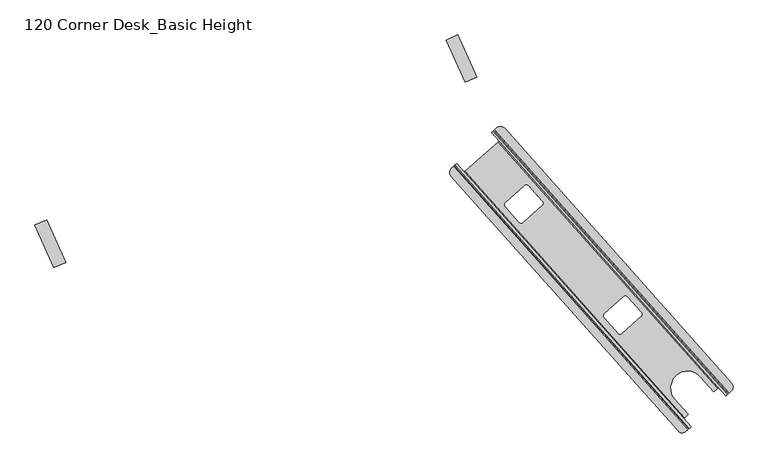
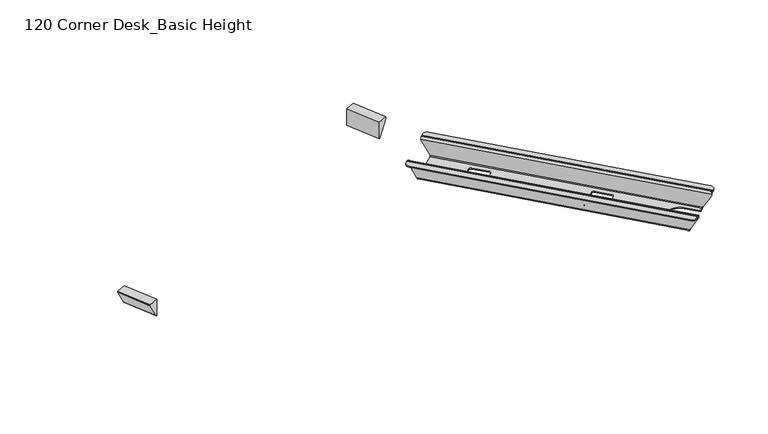
"""IFC4 building model written with IfcOpenShell, lengths in millimetres: furniture geometry, 120 Corner Desk_Basic Height."""

from ifc_helpers import new_model, si_unit, point, frame, frame_2d, origin, place, context, project, spatial, polyline, circle_curve, ellipse_curve, trimmed, segment, composite_curve, outline, extrude, source, transform, mapped, element, save
from ifc_brep_helpers import plane_surface, cylinder_surface, revolved_surface, advanced_brep


def furniture_120_corner_desk_basic_height_5956553c(model_context):
    return source(origin(), model_context, "Body", "SolidModel", [
        advanced_brep(
        [(1566.8161363, -39.7550029, 693.6399265), (1568.3345642, -38.4046695, 695.6719265), (1569.6105021, -37.2699819, 695.6719265), (1569.6105021, -37.2699819, 698.6714043), (1568.3790414, -38.3651161, 698.6714043), (1564.5829714, -41.7409496, 693.5914043), (1564.5829714, -41.7409496, 689.6804247), (1566.8161363, -39.7550029, 689.6804247), (1491.7959658, -106.4702115, 693.5914044), (1487.9998959, -109.846045, 698.6714043), (1486.4088054, -111.2609969, 698.6714043), (1486.4088054, -111.2609969, 695.6719264), (1488.0443744, -109.8064903, 695.6719264), (1489.5628023, -108.456157, 693.6399266), (1489.5628023, -108.456157, 689.6804247), (1491.7959658, -106.4702115, 689.6804247), (997.875542, 444.4381952, 693.6399266), (996.357114, 443.0878619, 695.6719264), (994.721545, 441.6333553, 695.6719264), (994.721545, 441.6333553, 698.6714043), (996.3126355, 443.0483073, 698.6714043), (1000.1087054, 446.4241407, 693.5914044), (1000.1087054, 446.4241407, 691.4041642), (997.875542, 444.4381952, 691.4041642), (1072.895711, 511.1534026, 693.5914043), (1076.691781, 514.5292361, 698.6714043), (1077.9232417, 515.6243704, 698.6714043), (1077.9232417, 515.6243704, 695.6719265), (1076.6473039, 514.4896827, 695.6719265), (1075.1288759, 513.1393494, 693.6399265), (1075.1288759, 513.1393494, 691.4041642), (1072.895711, 511.1534026, 691.4041642), (1142.6473917, 399.9494795, 645.6722168), (1142.6473917, 399.9494795, 648.6513268), (1101.9991892, 363.4082768, 648.6513268), (1101.9991892, 363.4082768, 645.6722168), (1101.5992935, 356.2545604, 648.6513268), (1101.5992935, 356.2545604, 645.6722168), (1131.3608318, 322.7881931, 648.6513268), (1131.3608318, 322.7881931, 645.6722168), (1138.553065, 322.3861336, 648.6513268), (1138.553065, 322.3861336, 645.6722168), (1179.3803274, 359.088083, 648.6513268), (1179.3803274, 359.088083, 645.6722168), (1179.7620416, 366.2621568, 648.6513268), (1179.7620416, 366.2621568, 645.6722168), (1149.8214434, 399.5677773, 648.6513268), (1149.8214434, 399.5677773, 645.6722168), (1350.1617613, 166.6029355, 645.6722168), (1350.1617613, 166.6029355, 648.6513268), (1309.5135588, 130.0617328, 648.6513268), (1309.5135588, 130.0617328, 645.6722168), (1309.1136631, 122.9080164, 648.6513268), (1309.1136631, 122.9080164, 645.6722168), (1338.8752014, 89.4416491, 648.6513268), (1338.8752014, 89.4416491, 645.6722168), (1346.0674346, 89.0395895, 648.6513268), (1346.0674346, 89.0395895, 645.6722168), (1386.894697, 125.741539, 648.6513268), (1386.894697, 125.741539, 645.6722168), (1387.2764112, 132.9156128, 648.6513268), (1387.2764112, 132.9156128, 645.6722168), (1357.335813, 166.2212332, 648.6513268), (1357.335813, 166.2212332, 645.6722168), (1551.5891587, -22.7873037, 650.192968), (1549.2800962, -24.840746, 650.192968), (1547.3330649, -26.1659358, 648.6513268), (1539.292904, -33.3160264, 648.6513268), (1538.9030186, -32.8776066, 645.6722168), (1546.8987023, -25.7670694, 645.6722168), (1476.7986169, -89.2983044, 650.192968), (1474.4895557, -91.3517454, 650.192968), (1477.9967226, -87.0413898, 645.6722168), (1485.150292, -80.6797423, 645.6722168), (1485.5401774, -81.1181621, 648.6513268), (1478.3421294, -87.5193642, 648.6513268), (1552.0754945, -23.1793902, 651.2602168), (1549.8158986, -25.1356157, 651.1913268), (1477.0288931, -89.8648776, 651.1913268), (1474.8221605, -91.8805443, 651.2602168), (1511.116621, -1.632253, 648.6513268), (1511.116621, -1.632253, 645.6722168), (1457.3638944, -49.4343887, 648.6513268), (1457.3638944, -49.4343887, 645.6722168), (1013.2775292, 427.1189103, 651.2602168), (1013.7638392, 426.7268385, 650.1930164), (1018.4221026, 429.742819, 645.6722168), (1087.3240823, 491.0171394, 645.6722168), (1090.8634563, 495.2912928, 650.1930164), (1090.5308631, 495.8200645, 651.2602168), (1088.3241291, 493.8043966, 651.1913268), (1088.5544022, 493.2378579, 650.1930164), (1086.9998974, 491.4712472, 648.6513268), (1018.008962, 430.1178188, 648.6513268), (1016.072892, 428.7802721, 650.1930164), (1015.5371236, 429.0751346, 651.1913268)],
        [
            (0, 1, circle_curve(frame((1568.3345642, -38.4046695, 693.6399265), z_axis=(-0.6645341594952078, 0.7472578877897494, 0.0), x_axis=(0.7472578877897494, 0.6645341594952078, 0.0)), 2.0319999)),
            (1, 2),
            (2, 3),
            (3, 4),
            (4, 5, circle_curve(frame((1568.3790414, -38.3651161, 693.5914043), z_axis=(0.6645341594952078, -0.7472578877897494, 0.0), x_axis=(0.7472578877897494, 0.6645341594952078, 0.0)), 5.0799999)),
            (5, 6),
            (6, 7),
            (7, 0),
            (8, 9, circle_curve(frame((1487.9998959, -109.846045, 693.5914044), z_axis=(0.6645341594952078, -0.7472578877897494, 0.0), x_axis=(0.7472578877897494, 0.6645341594952078, 0.0)), 5.0799999)),
            (9, 10),
            (10, 11),
            (11, 12),
            (12, 13, circle_curve(frame((1488.0443744, -109.8064903, 693.6399266), z_axis=(-0.6645341594952078, 0.7472578877897494, 0.0), x_axis=(0.7472578877897494, 0.6645341594952078, 0.0)), 2.0319999)),
            (13, 14),
            (14, 15),
            (15, 8),
            (16, 17, circle_curve(frame((996.357114, 443.0878619, 693.6399266), z_axis=(0.6645341594952078, -0.7472578877897494, 0.0), x_axis=(0.7472578877897494, 0.6645341594952078, 0.0)), 2.0319999)),
            (17, 18),
            (18, 19),
            (19, 20),
            (20, 21, circle_curve(frame((996.3126355, 443.0483073, 693.5914044), z_axis=(-0.6645341594952078, 0.7472578877897494, 0.0), x_axis=(0.7472578877897494, 0.6645341594952078, 0.0)), 5.0799999)),
            (21, 22),
            (22, 23),
            (23, 16),
            (24, 25, circle_curve(frame((1076.691781, 514.5292361, 693.5914043), z_axis=(-0.6645341594952078, 0.7472578877897494, 0.0), x_axis=(0.7472578877897494, 0.6645341594952078, 0.0)), 5.0799999)),
            (25, 26),
            (26, 27),
            (27, 28),
            (28, 29, circle_curve(frame((1076.6473039, 514.4896827, 693.6399265), z_axis=(0.6645341594952078, -0.7472578877897494, 0.0), x_axis=(0.7472578877897494, 0.6645341594952078, 0.0)), 2.0319999)),
            (29, 30),
            (30, 31),
            (31, 24),
            (32, 33),
            (33, 34),
            (34, 35),
            (35, 32),
            (34, 36, circle_curve(frame((1105.3953636, 359.6303939, 648.6513268), z_axis=(0.0, 0.0, 1.0), x_axis=(0.9991385936389271, -0.04149783971758992, 0.0)), 5.08)),
            (36, 37),
            (37, 35, circle_curve(frame((1105.3953636, 359.6303939, 645.6722168), z_axis=(0.0, 0.0, -1.0), x_axis=(0.9991385936389271, -0.04149783971758992, 0.0)), 5.08)),
            (36, 38),
            (38, 39),
            (39, 37),
            (38, 40, circle_curve(frame((1135.1569019, 326.1640267, 648.6513268), z_axis=(0.0, 0.0, 1.0), x_axis=(0.9991385936389271, -0.04149783971758992, 0.0)), 5.08)),
            (40, 41),
            (41, 39, circle_curve(frame((1135.1569019, 326.1640267, 645.6722168), z_axis=(0.0, 0.0, -1.0), x_axis=(0.9991385936389271, -0.04149783971758992, 0.0)), 5.08)),
            (40, 42),
            (42, 43),
            (43, 41),
            (42, 44, circle_curve(frame((1175.9841643, 362.8659761, 648.6513268), z_axis=(0.0, 0.0, 1.0), x_axis=(0.9991385936389271, -0.04149783971758992, 0.0)), 5.08)),
            (44, 45),
            (45, 43, circle_curve(frame((1175.9841643, 362.8659761, 645.6722168), z_axis=(0.0, 0.0, -1.0), x_axis=(0.9991385936389271, -0.04149783971758992, 0.0)), 5.08)),
            (44, 46),
            (46, 47),
            (47, 45),
            (32, 47, circle_curve(frame((1146.0435661, 396.1715966, 645.6722168), z_axis=(0.0, 0.0, -1.0), x_axis=(0.9991385936389271, -0.04149783971758992, 0.0)), 5.08)),
            (46, 33, circle_curve(frame((1146.0435661, 396.1715966, 648.6513268), z_axis=(0.0, 0.0, 1.0), x_axis=(0.9991385936389271, -0.04149783971758992, 0.0)), 5.08)),
            (48, 49),
            (49, 50),
            (50, 51),
            (51, 48),
            (50, 52, circle_curve(frame((1312.9097332, 126.2838499, 648.6513268), z_axis=(0.0, 0.0, 1.0), x_axis=(0.9991385936389271, -0.04149783971758992, 0.0)), 5.08)),
            (52, 53),
            (53, 51, circle_curve(frame((1312.9097332, 126.2838499, 645.6722168), z_axis=(0.0, 0.0, -1.0), x_axis=(0.9991385936389271, -0.04149783971758992, 0.0)), 5.08)),
            (52, 54),
            (54, 55),
            (55, 53),
            (54, 56, circle_curve(frame((1342.6712715, 92.8174826, 648.6513268), z_axis=(0.0, 0.0, 1.0), x_axis=(0.9991385936389271, -0.04149783971758992, 0.0)), 5.08)),
            (56, 57),
            (57, 55, circle_curve(frame((1342.6712715, 92.8174826, 645.6722168), z_axis=(0.0, 0.0, -1.0), x_axis=(0.9991385936389271, -0.04149783971758992, 0.0)), 5.08)),
            (56, 58),
            (58, 59),
            (59, 57),
            (58, 60, circle_curve(frame((1383.4985339, 129.5194321, 648.6513268), z_axis=(0.0, 0.0, 1.0), x_axis=(0.9991385936389271, -0.04149783971758992, 0.0)), 5.08)),
            (60, 61),
            (61, 59, circle_curve(frame((1383.4985339, 129.5194321, 645.6722168), z_axis=(0.0, 0.0, -1.0), x_axis=(0.9991385936389271, -0.04149783971758992, 0.0)), 5.08)),
            (60, 62),
            (62, 63),
            (63, 61),
            (48, 63, circle_curve(frame((1353.5579357, 162.8250525, 645.6722168), z_axis=(0.0, 0.0, -1.0), x_axis=(0.9991385936389271, -0.04149783971758992, 0.0)), 5.08)),
            (62, 49, circle_curve(frame((1353.5579357, 162.8250525, 648.6513268), z_axis=(0.0, 0.0, 1.0), x_axis=(0.9991385936389271, -0.04149783971758992, 0.0)), 5.08)),
            (64, 65),
            (65, 66, ellipse_curve(frame((1547.6654826, -26.5397342, 651.1913268), z_axis=(-0.6520102594141531, 0.7331749652074585, 0.19322808287547327), x_axis=(-0.128406661644523, 0.1443912090711886, -0.9811538656032852)), 2.5887887, 2.54)),
            (66, 67),
            (67, 68),
            (68, 69),
            (69, 64, ellipse_curve(frame((1547.6300213, -26.5894257, 651.2602168), z_axis=(0.6520102594141531, -0.7331749652074585, -0.19322808287547327), x_axis=(0.128406661644523, -0.1443912090711886, 0.9811538656032852)), 5.695335, 5.588)),
            (70, 71),
            (71, 72, ellipse_curve(frame((1478.7280415, -87.8637461, 651.2602168), z_axis=(0.6520102594141531, -0.7331749652074585, -0.19322808287547327), x_axis=(0.128406661644523, -0.1443912090711886, 0.9811538656032852)), 5.695335, 5.588)),
            (72, 73),
            (73, 74),
            (74, 75),
            (75, 70, ellipse_curve(frame((1478.6745471, -87.8931626, 651.1913268), z_axis=(-0.6520102594141531, 0.7331749652074585, 0.19322808287547327), x_axis=(-0.128406661644523, 0.1443912090711886, -0.9811538656032852)), 2.5887887, 2.54)),
            (64, 76, ellipse_curve(frame((1547.8998174, -26.892807, 651.2602168), z_axis=(0.5755034638054043, -0.6471443140042407, -0.4999999999999625), x_axis=(0.3322670797475788, -0.37362894389484663, 0.8660254037844604)), 6.4524666, 5.588)),
            (76, 7),
            (6, 77),
            (77, 65, ellipse_curve(frame((1547.9178636, -26.8235325, 651.1913268), z_axis=(-0.5755034638054043, 0.6471443140042407, 0.4999999999999625), x_axis=(-0.3322670797475788, 0.37362894389484663, -0.8660254037844604)), 2.9329394, 2.54)),
            (70, 78, ellipse_curve(frame((1478.9269281, -88.1769609, 651.1913268), z_axis=(-0.5755034638054043, 0.6471443140042407, 0.4999999999999625), x_axis=(-0.3322670797475788, 0.37362894389484663, -0.8660254037844604)), 2.9329394, 2.54)),
            (78, 15),
            (14, 79),
            (79, 71, ellipse_curve(frame((1478.9978376, -88.1671274, 651.2602168), z_axis=(0.5755034638054043, -0.6471443140042407, -0.4999999999999625), x_axis=(0.3322670797475788, -0.37362894389484663, 0.8660254037844604)), 6.4524666, 5.588)),
            (80, 81),
            (81, 68),
            (67, 80),
            (80, 82, circle_curve(frame((1484.2402577, -25.5333208, 648.6513268), z_axis=(0.0, 0.0, 1.0), x_axis=(0.9991385936389271, -0.04149783971758992, 0.0)), 35.9666505)),
            (82, 83),
            (83, 81, circle_curve(frame((1484.2402577, -25.5333208, 645.6722168), z_axis=(0.0, 0.0, -1.0), x_axis=(0.9991385936389271, -0.04149783971758992, 0.0)), 35.9666505)),
            (82, 74),
            (73, 83),
            (79, 84),
            (84, 85, ellipse_curve(frame((1017.4532062, 430.8323272, 651.2602168), z_axis=(0.5755034638054098, -0.6471443140042467, 0.4999999999999484), x_axis=(0.3322670797475692, -0.3736289438948363, -0.8660254037844686)), 6.4524666, 5.588)),
            (85, 86, ellipse_curve(frame((1017.7305929, 430.5204104, 651.2602168), z_axis=(0.6533031993089823, -0.7346288551558441, 0.1830720485084005), x_axis=(0.12165762988259482, -0.13680203228173032, -0.9830994990614825)), 5.6840635, 5.588)),
            (86, 72),
            (86, 87),
            (87, 69),
            (87, 88, ellipse_curve(frame((1086.6325726, 491.7947308, 651.2602168), z_axis=(0.6533031993089823, -0.7346288551558441, 0.1830720485084005), x_axis=(0.12165762988259482, -0.13680203228173032, -0.9830994990614825)), 5.6840635, 5.588)),
            (88, 89, ellipse_curve(frame((1086.355186, 492.1066476, 651.2602168), z_axis=(0.5755034638054098, -0.6471443140042467, 0.4999999999999484), x_axis=(0.3322670797475692, -0.3736289438948363, -0.8660254037844686)), 6.4524666, 5.588)),
            (89, 76),
            (29, 0),
            (89, 30),
            (28, 1),
            (27, 2),
            (26, 3),
            (25, 4),
            (24, 5),
            (31, 90),
            (90, 77),
            (90, 91, ellipse_curve(frame((1086.4260941, 492.1164798, 651.1913268), z_axis=(-0.5755034638054098, 0.6471443140042467, -0.4999999999999484), x_axis=(-0.3322670797475692, 0.3736289438948363, 0.8660254037844686)), 2.9329394, 2.54)),
            (91, 92, ellipse_curve(frame((1086.6855749, 491.8246979, 651.1913268), z_axis=(-0.6533031993089823, 0.7346288551558441, -0.1830720485084005), x_axis=(-0.12165762988259482, 0.13680203228173032, 0.9830994990614825)), 2.5836652, 2.54)),
            (92, 66),
            (92, 93),
            (93, 75),
            (93, 94, ellipse_curve(frame((1017.6946394, 430.4712695, 651.1913268), z_axis=(-0.6533031993089823, 0.7346288551558441, -0.1830720485084005), x_axis=(-0.12165762988259482, 0.13680203228173032, 0.9830994990614825)), 2.5836652, 2.54)),
            (94, 95, ellipse_curve(frame((1017.4351586, 430.7630514, 651.1913268), z_axis=(-0.5755034638054098, 0.6471443140042467, -0.4999999999999484), x_axis=(-0.3322670797475692, 0.3736289438948363, 0.8660254037844686)), 2.9329394, 2.54)),
            (95, 78),
            (21, 8),
            (95, 22),
            (20, 9),
            (19, 10),
            (18, 11),
            (17, 12),
            (16, 13),
            (23, 84),
            (88, 91),
            (94, 85),
        ],
        [
            plane_surface(frame((1497.9141565, -101.0293233, 651.2602168), z_axis=(0.6645341594952078, -0.7472578877897494, 0.0), x_axis=(0.0, 0.0, 1.0))),
            plane_surface(frame((1006.2268961, 451.865029, 651.2602168), z_axis=(-0.6645341594952078, 0.7472578877897494, 0.0), x_axis=(0.0, 0.0, -1.0))),
            plane_surface(frame((1142.6473917, 399.9494795, 672.2060139), z_axis=(0.6685382702059691, -0.7436777402006938, 0.0), x_axis=(0.0, 0.0, -1.0))),
            revolved_surface(polyline([(1110.4709876556858, 359.41958487423466, 648.6513267999998), (1110.4709876556858, 359.41958487423466, 645.6722167999998)]), (1105.3953636, 359.6303939, 0.0), (0.0, 0.0, 0.9999999999999999)),
            plane_surface(frame((1101.5992935, 356.2545604, 672.2060139), z_axis=(0.7472578877897479, 0.6645341594952097, 0.0), x_axis=(0.0, 0.0, -1.0))),
            revolved_surface(polyline([(1140.2325259556858, 325.9532176742347, 648.6513267999998), (1140.2325259556858, 325.9532176742347, 645.6722167999998)]), (1135.1569019, 326.1640267, 0.0), (0.0, 0.0, 0.9999999999999999)),
            plane_surface(frame((1138.553065, 322.3861336, 672.2060139), z_axis=(-0.6685360411357278, 0.7436797440448196, 0.0), x_axis=(0.0, 0.0, -1.0))),
            revolved_surface(polyline([(1181.0597883556857, 362.65516707423467, 648.6513267999998), (1181.0597883556857, 362.65516707423467, 645.6722167999998)]), (1175.9841643, 362.8659761, 0.0), (0.0, 0.0, 0.9999999999999999)),
            plane_surface(frame((1179.7620416, 366.2621568, 672.2060139), z_axis=(-0.7436766280845355, -0.6685395073148749, 0.0), x_axis=(0.0, 0.0, -1.0))),
            revolved_surface(polyline([(1151.1191901556856, 395.96078757423464, 648.6513267999998), (1151.1191901556856, 395.96078757423464, 645.6722167999998)]), (1146.0435661, 396.1715966, 0.0), (0.0, 0.0, 0.9999999999999999)),
            plane_surface(frame((1350.1617613, 166.6029355, 672.2060139), z_axis=(0.6685382702059671, -0.7436777402006957, 0.0), x_axis=(0.0, 0.0, -1.0))),
            revolved_surface(polyline([(1317.9853572556856, 126.07304087423465, 648.6513267999998), (1317.9853572556856, 126.07304087423465, 645.6722167999998)]), (1312.9097332, 126.2838499, 0.0), (0.0, 0.0, 0.9999999999999999)),
            plane_surface(frame((1309.1136631, 122.9080164, 672.2060139), z_axis=(0.74725788778975, 0.6645341594952071, 0.0), x_axis=(0.0, 0.0, -1.0))),
            revolved_surface(polyline([(1347.7468955556858, 92.60667357423465, 648.6513267999998), (1347.7468955556858, 92.60667357423465, 645.6722167999998)]), (1342.6712715, 92.8174826, 0.0), (0.0, 0.0, 0.9999999999999999)),
            plane_surface(frame((1346.0674346, 89.0395895, 672.2060139), z_axis=(-0.6685360411357273, 0.7436797440448203, 0.0), x_axis=(0.0, 0.0, -1.0))),
            revolved_surface(polyline([(1388.5741579556857, 129.30862307423465, 648.6513267999998), (1388.5741579556857, 129.30862307423465, 645.6722167999998)]), (1383.4985339, 129.5194321, 0.0), (0.0, 0.0, 0.9999999999999999)),
            plane_surface(frame((1387.2764112, 132.9156128, 672.2060139), z_axis=(-0.7436766280845376, -0.6685395073148724, 0.0), x_axis=(0.0, 0.0, -1.0))),
            revolved_surface(polyline([(1358.6335597556856, 162.61424347423466, 648.6513267999998), (1358.6335597556856, 162.61424347423466, 645.6722167999998)]), (1353.5579357, 162.8250525, 0.0), (0.0, 0.0, 0.9999999999999999)),
            plane_surface(frame((1579.3904014, 4.3436054, 641.0586443), z_axis=(0.6520102594141531, -0.7331749652074585, -0.19322808287547327), x_axis=(-0.7472578877897494, -0.6645341594952078, 0.0))),
            plane_surface(frame((1580.5858388, 2.9993554, 650.192968), z_axis=(0.5755034638054044, -0.6471443140042408, -0.4999999999999626), x_axis=(-0.7472578877897494, -0.6645341594952079, 0.0))),
            plane_surface(frame((1542.7650603, -37.2204099, 672.2060139), z_axis=(-0.7472578877897533, -0.6645341594952034, 0.0), x_axis=(0.0, 0.0, -1.0))),
            revolved_surface(polyline([(1520.1759262984729, -27.025859097627574, 648.6513267999998), (1520.1759262984729, -27.025859097627574, 645.6722167999998)]), (1484.2402577, -25.5333208, 0.0), (0.0, 0.0, 0.9999999999999999)),
            plane_surface(frame((1457.3638944, -49.4343887, 672.2060139), z_axis=(0.7472578877897548, 0.6645341594952019, 0.0), x_axis=(0.0, 0.0, -1.0))),
            cylinder_surface(frame((1002.051219, 448.1516121, 651.2602168), z_axis=(0.6645341594952078, -0.7472578877897494, 0.0), x_axis=(0.7472578877897494, 0.6645341594952078, 0.0)), 5.588),
            plane_surface(frame((1493.7384794, -104.7427401, 645.6722168), z_axis=(0.0, 0.0, -1.0), x_axis=(-0.6645341594952076, 0.7472578877897497, 0.0))),
            cylinder_surface(frame((1070.9531988, 509.4259325, 651.2602168), z_axis=(0.6645341594952078, -0.7472578877897494, 0.0), x_axis=(0.7472578877897494, 0.6645341594952078, 0.0)), 5.588),
            plane_surface(frame((1566.8161363, -39.7550029, 651.2602168), z_axis=(0.7472578877897494, 0.6645341594952078, 0.0), x_axis=(-0.6645341594952078, 0.7472578877897494, 0.0))),
            revolved_surface(polyline([(1078.1657318099594, 515.840016094335, 693.6399265), (1569.8529922366329, -37.05433618194422, 693.6399265)]), (1076.6473039, 514.4896827, 693.6399265), (-0.6645341594952078, 0.7472578877897494, 0.0)),
            plane_surface(frame((1568.3345642, -38.4046695, 695.6719265), z_axis=(0.0, 0.0, -1.0), x_axis=(-0.6645341594952078, 0.7472578877897494, 0.0))),
            plane_surface(frame((1569.6105021, -37.2699819, 695.6719265), z_axis=(0.7472578877897496, 0.6645341594952078, 0.0), x_axis=(-0.6645341594952078, 0.7472578877897496, 0.0))),
            plane_surface(frame((1569.6105021, -37.2699819, 698.6714043), z_axis=(0.0, 0.0, 1.0000000000000002), x_axis=(-0.6645341594952078, 0.7472578877897496, 0.0))),
            cylinder_surface(frame((1076.691781, 514.5292361, 693.5914043), z_axis=(0.6645341594952078, -0.7472578877897494, 0.0), x_axis=(0.7472578877897494, 0.6645341594952078, 0.0)), 5.0799999),
            plane_surface(frame((1564.5829714, -41.7409496, 693.5914043), z_axis=(-0.7472578877897493, -0.664534159495208, 0.0), x_axis=(-0.664534159495208, 0.7472578877897493, 0.0))),
            revolved_surface(polyline([(1087.3496099185008, 494.9002276094485, 651.1913268), (1550.7904178325155, -26.23144679607003, 651.1913268)]), (1070.9976759, 509.4654859, 651.1913268), (-0.6645341594952078, 0.7472578877897494, 0.0)),
            plane_surface(frame((1562.6849363, -43.4288664, 648.6513268), z_axis=(0.0, 0.0, 1.0000000000000002), x_axis=(-0.6645341594952079, 0.7472578877897494, 0.0))),
            revolved_surface(polyline([(1018.3586744743402, 433.5467992591063, 651.1913268), (1481.7994823883548, -87.58487514641229, 651.1913268)]), (1002.0067405, 448.1120575, 651.1913268), (-0.6645341594952078, 0.7472578877897494, 0.0)),
            plane_surface(frame((1491.7959658, -106.4702115, 651.1913268), z_axis=(0.7472578877897496, 0.6645341594952078, 0.0), x_axis=(-0.6645341594952078, 0.7472578877897496, 0.0))),
            cylinder_surface(frame((996.3126355, 443.0483073, 693.5914044), z_axis=(0.6645341594952078, -0.7472578877897494, 0.0), x_axis=(0.7472578877897494, 0.6645341594952078, 0.0)), 5.0799999),
            plane_surface(frame((1487.9998959, -109.846045, 698.6714043), z_axis=(-1.0450907311748767e-11, -9.293959983369685e-12, 1.0), x_axis=(-0.6645341594952077, 0.7472578877897496, 0.0))),
            plane_surface(frame((1486.4088054, -111.2609969, 698.6714043), z_axis=(-0.7472578877897493, -0.664534159495208, 0.0), x_axis=(-0.664534159495208, 0.7472578877897493, 0.0))),
            plane_surface(frame((1486.4088054, -111.2609969, 695.6719264), z_axis=(0.0, 0.0, -1.0), x_axis=(-0.664534159495208, 0.7472578877897493, 0.0))),
            revolved_surface(polyline([(997.875541953263, 444.4381952456408, 693.6399266), (1489.5628023302786, -108.45615697479889, 693.6399266)]), (996.357114, 443.0878619, 693.6399266), (-0.6645341594952078, 0.7472578877897494, 0.0)),
            plane_surface(frame((1489.5628023, -108.456157, 693.6399266), z_axis=(-0.7472578877897497, -0.6645341594952076, 0.0), x_axis=(-0.6645341594952076, 0.7472578877897497, 0.0))),
            plane_surface(frame((1094.457626, 535.9432006, 698.6714043), z_axis=(-0.57550346380541, 0.6471443140042468, -0.4999999999999485), x_axis=(-0.7472578877897493, -0.664534159495208, 0.0))),
            plane_surface(frame((1113.0572794, 515.0281919, 650.1930164), z_axis=(-0.6533031993089824, 0.7346288551558442, -0.18307204850840053), x_axis=(-0.7472578877897493, -0.664534159495208, 0.0))),
        ],
        [
            (0, [[1, 2, 3, 4, 5, 6, 7, 8]]),
            (0, [[9, 10, 11, 12, 13, 14, 15, 16]]),
            (1, [[17, 18, 19, 20, 21, 22, 23, 24]]),
            (1, [[25, 26, 27, 28, 29, 30, 31, 32]]),
            (2, [[33, 34, 35, 36]]),
            (3, [[-35, 37, 38, 39]]),
            (4, [[-38, 40, 41, 42]]),
            (5, [[-41, 43, 44, 45]]),
            (6, [[-44, 46, 47, 48]]),
            (7, [[-47, 49, 50, 51]]),
            (8, [[-50, 52, 53, 54]]),
            (9, [[-33, 55, -53, 56]]),
            (10, [[57, 58, 59, 60]]),
            (11, [[-59, 61, 62, 63]]),
            (12, [[-62, 64, 65, 66]]),
            (13, [[-65, 67, 68, 69]]),
            (14, [[-68, 70, 71, 72]]),
            (15, [[-71, 73, 74, 75]]),
            (16, [[-74, 76, 77, 78]]),
            (17, [[-57, 79, -77, 80]]),
            (18, [[81, 82, 83, 84, 85, 86]]),
            (18, [[87, 88, 89, 90, 91, 92]]),
            (19, [[-81, 93, 94, -7, 95, 96]]),
            (19, [[-87, 97, 98, -15, 99, 100]]),
            (20, [[101, 102, -84, 103]]),
            (21, [[-101, 104, 105, 106]]),
            (22, [[-105, 107, -90, 108]]),
            (23, [[-88, -100, 109, 110, 111, 112]]),
            (24, [[-85, -102, -106, -108, -89, -112, 113, 114], [-36, -39, -42, -45, -48, -51, -54, -55], [-60, -63, -66, -69, -72, -75, -78, -79]]),
            (25, [[-86, -114, 115, 116, 117, -93]]),
            (26, [[118, -8, -94, -117, 119, -30]]),
            (27, [[-1, -118, -29, 120]]),
            (28, [[-2, -120, -28, 121]]),
            (29, [[-3, -121, -27, 122]]),
            (30, [[-4, -122, -26, 123]]),
            (31, [[-5, -123, -25, 124]]),
            (32, [[-124, -32, 125, 126, -95, -6]]),
            (33, [[-82, -96, -126, 127, 128, 129]]),
            (34, [[-83, -129, 130, 131, -91, -107, -104, -103], [-34, -56, -52, -49, -46, -43, -40, -37], [-58, -80, -76, -73, -70, -67, -64, -61]]),
            (35, [[-92, -131, 132, 133, 134, -97]]),
            (36, [[135, -16, -98, -134, 136, -22]]),
            (37, [[-9, -135, -21, 137]]),
            (38, [[-10, -137, -20, 138]]),
            (39, [[-11, -138, -19, 139]]),
            (40, [[-12, -139, -18, 140]]),
            (41, [[-13, -140, -17, 141]]),
            (42, [[-141, -24, 142, -109, -99, -14]]),
            (43, [[143, -127, -125, -31, -119, -116]]),
            (43, [[144, -110, -142, -23, -136, -133]]),
            (44, [[-143, -115, -113, -111, -144, -132, -130, -128]]),
        ],
    ),
        advanced_brep(
        [(1571.5363408, -35.5573394, 698.6714043), (1575.9082939, -31.6693749, 698.6714043), (1576.8538261, -15.5325918, 698.6714043), (1100.3578166, 520.2794452, 698.6714043), (1084.2210335, 521.2249774, 698.6714043), (1079.8490804, 517.3370128, 698.6714043), (1571.5363408, -35.5573394, 695.6719265), (1079.8490804, 517.3370128, 695.6719265), (1084.2210335, 521.2249774, 695.6719265), (1100.3578166, 520.2794452, 695.6719265), (1576.8538261, -15.5325918, 695.6719265), (1575.9082939, -31.6693749, 695.6719265)],
        [
            (0, 1),
            (1, 2, circle_curve(frame((1568.3126684, -23.1282172, 698.6714043), z_axis=(0.0, 0.0, 1.0), x_axis=(0.9991385936389271, -0.04149783971758992, 0.0)), 11.43)),
            (2, 3),
            (3, 4, circle_curve(frame((1091.8166589, 512.6838197, 698.6714043), z_axis=(0.0, 0.0, 1.0), x_axis=(0.9991385936389271, -0.04149783971758992, 0.0)), 11.43)),
            (4, 5),
            (5, 0),
            (6, 7),
            (7, 8),
            (8, 9, circle_curve(frame((1091.8166589, 512.6838197, 695.6719265), z_axis=(0.0, 0.0, -1.0), x_axis=(0.9991385936389271, -0.04149783971758992, 0.0)), 11.43)),
            (9, 10),
            (10, 11, circle_curve(frame((1568.3126684, -23.1282172, 695.6719265), z_axis=(0.0, 0.0, -1.0), x_axis=(0.9991385936389271, -0.04149783971758992, 0.0)), 11.43)),
            (11, 6),
            (0, 6),
            (11, 1),
            (10, 2),
            (9, 3),
            (8, 4),
            (7, 5),
        ],
        [
            plane_surface(frame((1571.5363408, -35.5573394, 698.6714043), z_axis=(0.0, 0.0, 1.0), x_axis=(0.7472578877897368, 0.6645341594952221, 0.0))),
            plane_surface(frame((1571.5363408, -35.5573394, 695.6719265), z_axis=(0.0, 0.0, -1.0), x_axis=(-0.7472578877897368, -0.6645341594952221, 0.0))),
            plane_surface(frame((1571.5363408, -35.5573394, 698.6714043), z_axis=(0.6645341594952221, -0.7472578877897368, 0.0), x_axis=(0.0, 0.0, -1.0))),
            cylinder_surface(frame((1568.3126684, -23.1282172, 695.6719265), z_axis=(0.0, 0.0, 0.9999999999999999), x_axis=(0.9991385936389271, -0.04149783971758992, 0.0)), 11.43),
            plane_surface(frame((1576.8538261, -15.5325918, 698.6714043), z_axis=(0.7472578877897549, 0.6645341594952018, 0.0), x_axis=(0.0, 0.0, -1.0))),
            cylinder_surface(frame((1091.8166589, 512.6838197, 695.6719265), z_axis=(0.0, 0.0, 0.9999999999999999), x_axis=(0.9991385936389271, -0.04149783971758992, 0.0)), 11.43),
            plane_surface(frame((1084.2210335, 521.2249774, 698.6714043), z_axis=(-0.664534159495206, 0.7472578877897511, 0.0), x_axis=(0.0, 0.0, -1.0))),
            plane_surface(frame((1079.8490804, 517.3370128, 698.6714043), z_axis=(-0.7472578877897529, -0.664534159495204, 0.0), x_axis=(0.0, 0.0, -1.0))),
        ],
        [
            (0, [[1, 2, 3, 4, 5, 6]]),
            (1, [[7, 8, 9, 10, 11, 12]]),
            (2, [[-1, 13, -12, 14]]),
            (3, [[-2, -14, -11, 15]]),
            (4, [[-3, -15, -10, 16]]),
            (5, [[-4, -16, -9, 17]]),
            (6, [[-5, -17, -8, 18]]),
            (7, [[-6, -18, -7, -13]]),
        ],
    ),
        advanced_brep(
        [(1484.8426852, -112.6537428, 698.6714043), (993.1554248, 440.2406094, 698.6714043), (988.6603315, 436.2431367, 698.6714043), (987.7147993, 420.1063536, 698.6714043), (1464.2108088, -115.7056834, 698.6714043), (1480.3475919, -116.6512156, 698.6714043), (1484.8426852, -112.6537428, 695.6719265), (1480.3475919, -116.6512156, 695.6719265), (1464.2108088, -115.7056834, 695.6719265), (987.7147993, 420.1063536, 695.6719265), (988.6603315, 436.2431367, 695.6719265), (993.1554248, 440.2406094, 695.6719265)],
        [
            (0, 1),
            (1, 2),
            (2, 3, circle_curve(frame((996.2559569, 427.701979, 698.6714043), z_axis=(0.0, 0.0, 1.0), x_axis=(0.9991385936389271, -0.04149783971758992, 0.0)), 11.43)),
            (3, 4),
            (4, 5, circle_curve(frame((1472.7519664, -108.1100579, 698.6714043), z_axis=(0.0, 0.0, 1.0), x_axis=(0.9991385936389271, -0.04149783971758992, 0.0)), 11.43)),
            (5, 0),
            (6, 7),
            (7, 8, circle_curve(frame((1472.7519664, -108.1100579, 695.6719265), z_axis=(0.0, 0.0, -1.0), x_axis=(0.9991385936389271, -0.04149783971758992, 0.0)), 11.43)),
            (8, 9),
            (9, 10, circle_curve(frame((996.2559569, 427.701979, 695.6719265), z_axis=(0.0, 0.0, -1.0), x_axis=(0.9991385936389271, -0.04149783971758992, 0.0)), 11.43)),
            (10, 11),
            (11, 6),
            (0, 6),
            (11, 1),
            (10, 2),
            (9, 3),
            (8, 4),
            (7, 5),
        ],
        [
            plane_surface(frame((1571.5363408, -35.5573394, 698.6714043), z_axis=(0.0, 0.0, 1.0), x_axis=(0.7472578877897368, 0.6645341594952221, 0.0))),
            plane_surface(frame((1571.5363408, -35.5573394, 695.6719265), z_axis=(0.0, 0.0, -1.0), x_axis=(-0.7472578877897368, -0.6645341594952221, 0.0))),
            plane_surface(frame((1484.8426852, -112.6537428, 698.6714043), z_axis=(0.7472578877897476, 0.6645341594952099, 0.0), x_axis=(0.0, 0.0, -1.0))),
            plane_surface(frame((993.1554248, 440.2406094, 698.6714043), z_axis=(-0.6645341594951764, 0.7472578877897774, 0.0), x_axis=(0.0, 0.0, -1.0))),
            cylinder_surface(frame((996.2559569, 427.701979, 0.0), z_axis=(0.0, 0.0, 0.9999999999999999), x_axis=(0.9991385936389271, -0.04149783971758992, 0.0)), 11.43),
            plane_surface(frame((987.7147993, 420.1063536, 698.6714043), z_axis=(-0.7472578877897454, -0.6645341594952124, 0.0), x_axis=(0.0, 0.0, -1.0))),
            cylinder_surface(frame((1472.7519664, -108.1100579, 0.0), z_axis=(0.0, 0.0, 0.9999999999999999), x_axis=(0.9991385936389271, -0.04149783971758992, 0.0)), 11.43),
            plane_surface(frame((1480.3475919, -116.6512156, 698.6714043), z_axis=(0.6645341594952152, -0.7472578877897429, 0.0), x_axis=(0.0, 0.0, -1.0))),
        ],
        [
            (0, [[1, 2, 3, 4, 5, 6]]),
            (1, [[7, 8, 9, 10, 11, 12]]),
            (2, [[-1, 13, -12, 14]]),
            (3, [[-2, -14, -11, 15]]),
            (4, [[-3, -15, -10, 16]]),
            (5, [[-4, -16, -9, 17]]),
            (6, [[-5, -17, -8, 18]]),
            (7, [[-6, -18, -7, -13]]),
        ],
    ),
        extrude(outline(composite_curve([segment(polyline([(-0.7180342, -0.192772), (42.6124132, 24.8804385)]), True, "CONTINUOUS"), segment(trimmed(circle_curve(frame_2d((43.410079, 23.5019467)), 1.5926425), [point((42.6124132, 24.8804385))], [point((43.410079, 25.0945893))], False, "CARTESIAN"), True, "CONTINUOUS"), segment(polyline([(43.410079, 25.0945893), (47.0805508, 25.0945893), (47.0805508, -1.5820997), (-1.4259413, -1.5820997)]), True, "CONTINUOUS"), segment(trimmed(circle_curve(frame_2d((0.0, -1.433648)), 1.433648), [point((-1.4259413, -1.5820997))], [point((-0.7180342, -0.192772))], False, "CARTESIAN"), True, "CONTINUOUS")], self_intersect=False)), frame((1019.1734387, 617.3029104, 651.5908535), z_axis=(-0.41074125966516173, 0.9117519496050865, 0.0), x_axis=(0.0, 0.0, 1.0)), (0.0, 0.0, 1.0), 97.4054697),
        extrude(outline(composite_curve([segment(trimmed(circle_curve(frame_2d((50.0618973, -1.433648)), 1.433648), [point((50.0618972, 0.0))], [point((51.370454, -0.8479641))], False, "CARTESIAN"), True, "CONTINUOUS"), segment(polyline([(51.370454, -0.8479641), (9.386268, -25.1421588), (-3.9745966, -2.0524853), (-0.7976658, -0.2141508)]), True, "CONTINUOUS"), segment(trimmed(circle_curve(frame_2d((-1e-07, -1.5926425)), 1.5926425), [point((-0.7976658, -0.2141508))], [point((0.0, 0.0))], False, "CARTESIAN"), True, "CONTINUOUS"), segment(polyline([(0.0, 0.0), (50.0618972, 0.0)]), True, "CONTINUOUS")], self_intersect=False)), frame((154.8641339, 227.9343662, 694.2032667), z_axis=(-0.4107413293211856, 0.9117519182252735, 0.0), x_axis=(0.4566456509090524, 0.20571740835842098, -0.8655374615833462)), (0.0, 0.0, 1.0), 97.4054697),
    ])


if __name__ == "__main__":
    model = new_model("IFC4")
    model_context = context("Model", 3, world=origin())
    ifc_project = project(units=[si_unit("LENGTHUNIT", "METRE", prefix="MILLI")], contexts=[model_context])
    site = spatial("IfcSite", under=ifc_project)
    building = spatial("IfcBuilding", under=site)
    placement = place(None, origin())
    furniture_120_corner_desk_basic_height_shape = furniture_120_corner_desk_basic_height_5956553c(model_context)
    element("IfcFurniture", 1, ObjectType="120 Corner Desk_Basic Height", at=placement, inside=building, context=model_context, shape_type="MappedRepresentation", body=[
        mapped(furniture_120_corner_desk_basic_height_shape, transform((0.0, 0.0, 0.0), x_axis=(1.0, 0.0, 0.0), y_axis=(0.0, 1.0, 0.0), z_axis=(0.0, 0.0, 1.0))),
    ])
    save(model, "model.ifc")
